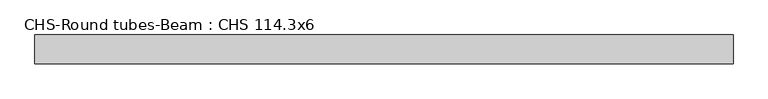
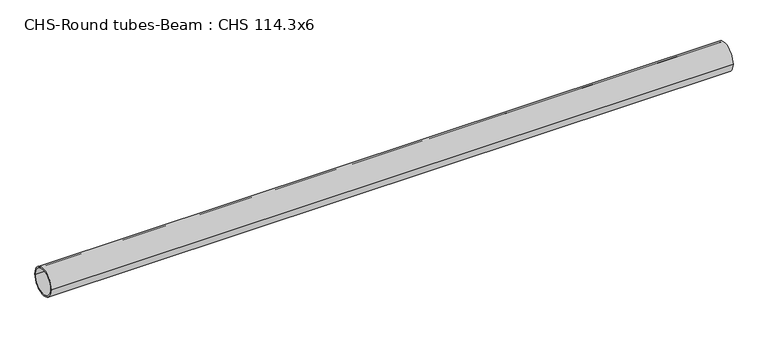
"""IFC4 building model written with IfcOpenShell, lengths in millimetres: beam geometry, CHS-Round tubes-Beam : CHS 114.3x6."""

from ifc_helpers import new_model, si_unit, point, frame, origin, origin_2d, place, context, project, spatial, circle_curve, trimmed, segment, composite_curve, outline, extrude, source, transform, mapped, element, save


def chs_round_tubes_beam_chs_114_3x6_b9b755d3(model_context):
    return source(origin(), model_context, "Body", "SweptSolid", [
        extrude(outline(composite_curve([segment(trimmed(circle_curve(origin_2d(), 57.15), [point((57.15, 0.0))], [point((-57.15, 0.0))], False, "CARTESIAN"), True, "CONTINUOUS"), segment(trimmed(circle_curve(origin_2d(), 57.15), [point((-57.15, 0.0))], [point((57.15, 0.0))], False, "CARTESIAN"), True, "CONTINUOUS")], self_intersect=False), holes=[composite_curve([segment(trimmed(circle_curve(origin_2d(), 51.15), [point((51.15, 0.0))], [point((-51.15, 0.0))], True, "CARTESIAN"), True, "CONTINUOUS"), segment(trimmed(circle_curve(origin_2d(), 51.15), [point((-51.15, 0.0))], [point((51.15, 0.0))], True, "CARTESIAN"), True, "CONTINUOUS")], self_intersect=False)]), frame((-1334.7547165, 0.0, 0.0), z_axis=(1.0, 0.0, 0.0), x_axis=(0.0, 1.0, 0.0)), (0.0, 0.0, 1.0), 2766.1962868),
    ])


if __name__ == "__main__":
    model = new_model("IFC4")
    model_context = context("Model", 3, world=origin())
    ifc_project = project(units=[si_unit("LENGTHUNIT", "METRE", prefix="MILLI")], contexts=[model_context])
    site = spatial("IfcSite", under=ifc_project)
    building = spatial("IfcBuilding", under=site)
    placement = place(None, origin())
    chs_round_tubes_beam_chs_114_3x6_shape = chs_round_tubes_beam_chs_114_3x6_b9b755d3(model_context)
    element("IfcBeam", 1, ObjectType="CHS-Round tubes-Beam : CHS 114.3x6", at=placement, inside=building, context=model_context, shape_type="MappedRepresentation", body=[
        mapped(chs_round_tubes_beam_chs_114_3x6_shape, transform((0.0, 0.0, 0.0), x_axis=(1.0, 0.0, 0.0), y_axis=(0.0, 1.0, 0.0), z_axis=(0.0, 0.0, 1.0))),
    ])
    save(model, "model.ifc")
